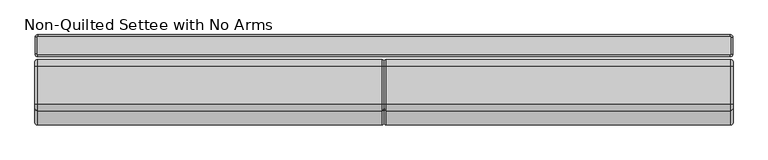
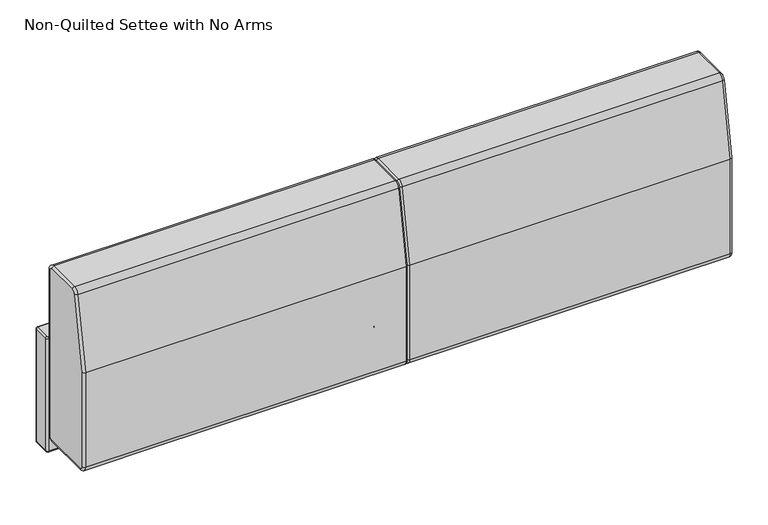
"""IFC4 building model written with IfcOpenShell, lengths in millimetres: furniture geometry, Non-Quilted Settee with No Arms."""

from ifc_helpers import new_model, si_unit, point, frame, origin, place, context, project, spatial, circle_curve, ellipse_curve, trimmed, source, transform, mapped, element, save
from ifc_brep_helpers import plane_surface, cylinder_surface, revolved_surface, advanced_brep


def non_quilted_settee_with_no_arms_b40319b5(model_context):
    return source(origin(), model_context, "Body", "AdvancedBrep", [
        advanced_brep(
        [(-711.8064569, 300.1899767, 749.1899478), (-711.8064569, 292.100436, 757.2794885), (-707.1959976, 292.100436, 761.8899478), (-707.1959976, 304.800436, 749.1899478), (-4.572, 292.100436, 761.8899478), (-4.572, 304.800436, 749.1899478), (-707.1959976, 304.800436, 368.2390955), (-711.8064569, 300.1899767, 368.2390955), (-4.572, 304.800436, 368.2390955), (-707.1959976, 292.100436, 355.5390955), (-711.8064569, 292.100436, 360.1495548), (-4.572, 292.100436, 355.5390955), (-707.1959976, 184.150436, 355.5390955), (-711.8064569, 184.150436, 360.1495548), (-4.572, 184.150436, 355.5390955), (-707.1959976, 171.450436, 368.2390955), (-711.8064569, 176.0608953, 368.2390955), (-4.572, 171.450436, 368.2390955), (-178.1023595, 176.8088949, 357.8760952), (-177.499966, 176.8088949, 357.8760952), (-177.8011627, 178.0348284, 357.1085364), (-355.9023595, 176.8088949, 357.8760952), (-355.299966, 176.8088949, 357.8760952), (-355.6011627, 178.0348284, 357.1085364), (-533.7023595, 176.8088949, 357.8760952), (-533.099966, 176.8088949, 357.8760952), (-533.4011627, 178.0348284, 357.1085364), (-707.1959976, 171.450436, 587.3479845), (-711.8064569, 176.0608953, 586.9446216), (-4.572, 171.450436, 587.3479845), (-707.1959976, 200.3764003, 751.3952797), (-711.8064569, 204.9168164, 750.5946818), (-4.572, 200.3764003, 751.3952797), (-707.1959976, 212.8834587, 761.8899478), (-711.8064569, 212.8834587, 757.2794885), (-4.572, 212.8834587, 761.8899478), (0.0, 292.100436, 757.3179478), (0.0, 212.8834587, 757.3179478), (0.0, 204.8789413, 750.6013602), (0.0, 176.022436, 586.9479863), (0.0, 176.022436, 368.2390955), (0.0, 184.150436, 360.1110955), (0.0, 292.100436, 360.1110955), (0.0, 300.228436, 368.2390955), (0.0, 300.228436, 749.1899478), (-177.8011627, 178.0348284, 357.8760952), (-355.6011627, 178.0348284, 357.8760952), (-533.4011627, 178.0348284, 357.8760952)],
        [
            (0, 1, circle_curve(frame((-711.8064569, 292.100436, 749.1899478), z_axis=(1.0, 0.0, 0.0), x_axis=(0.0, 0.0, 1.0)), 8.0895407)),
            (1, 2, circle_curve(frame((-707.1959976, 292.100436, 757.2794885), z_axis=(0.0, 1.0, 0.0), x_axis=(0.0, 0.0, 1.0)), 4.6104593)),
            (2, 3, circle_curve(frame((-707.1959976, 292.100436, 749.1899478), z_axis=(-1.0, 0.0, 0.0), x_axis=(0.0, 0.0, 1.0)), 12.7)),
            (3, 0, circle_curve(frame((-707.1959976, 300.1899767, 749.1899478), z_axis=(0.0, 0.0, 1.0), x_axis=(0.0, 1.0, 0.0)), 4.6104593)),
            (2, 4),
            (4, 5, circle_curve(frame((-4.572, 292.100436, 749.1899478), z_axis=(-1.0, 0.0, 0.0), x_axis=(0.0, 0.0, 1.0)), 12.7)),
            (5, 3),
            (3, 6),
            (6, 7, circle_curve(frame((-707.1959976, 300.1899767, 368.2390955), z_axis=(0.0, 0.0, 1.0), x_axis=(0.0, 1.0, 0.0)), 4.6104593)),
            (7, 0),
            (5, 8),
            (8, 6),
            (6, 9, circle_curve(frame((-707.1959976, 292.100436, 368.2390955), z_axis=(-1.0, 0.0, 0.0), x_axis=(0.0, 1.0, 0.0)), 12.7)),
            (9, 10, circle_curve(frame((-707.1959976, 292.100436, 360.1495548), z_axis=(0.0, 1.0, 0.0), x_axis=(0.0, 0.0, -1.0)), 4.6104593)),
            (10, 7, circle_curve(frame((-711.8064569, 292.100436, 368.2390955), z_axis=(1.0, 0.0, 0.0), x_axis=(0.0, 1.0, 0.0)), 8.0895407)),
            (8, 11, circle_curve(frame((-4.572, 292.100436, 368.2390955), z_axis=(-1.0, 0.0, 0.0), x_axis=(0.0, 1.0, 0.0)), 12.7)),
            (11, 9),
            (9, 12),
            (12, 13, circle_curve(frame((-707.1959976, 184.150436, 360.1495548), z_axis=(0.0, 1.0, 0.0), x_axis=(0.0, 0.0, -1.0)), 4.6104593)),
            (13, 10),
            (11, 14),
            (14, 12),
            (12, 15, circle_curve(frame((-707.1959976, 184.150436, 368.2390955), z_axis=(-1.0, 0.0, 0.0), x_axis=(0.0, 0.0, -1.0)), 12.7)),
            (15, 16, circle_curve(frame((-707.1959976, 176.0608953, 368.2390955), z_axis=(0.0, 0.0, -1.0), x_axis=(0.0, -1.0, 0.0)), 4.6104593)),
            (16, 13, circle_curve(frame((-711.8064569, 184.150436, 368.2390955), z_axis=(1.0, 0.0, 0.0), x_axis=(0.0, 0.0, -1.0)), 8.0895407)),
            (14, 17, circle_curve(frame((-4.572, 184.150436, 368.2390955), z_axis=(-1.0, 0.0, 0.0), x_axis=(0.0, 0.0, -1.0)), 12.7)),
            (17, 15),
            (18, 19),
            (19, 20, ellipse_curve(frame((-179.3036922, 184.150436, 368.2390955), z_axis=(0.9711198537066593, 0.23859218289113482, 0.0), x_axis=(-0.23859218289113468, 0.9711198537066593, 0.0)), 13.0776855, 12.7)),
            (20, 18, ellipse_curve(frame((-176.2986333, 184.150436, 368.2390955), z_axis=(-0.9711198537066649, 0.23859218289111192, 0.0), x_axis=(-0.23859218289111164, -0.971119853706665, 0.0)), 13.0776855, 12.7)),
            (21, 22),
            (22, 23, ellipse_curve(frame((-357.1036922, 184.150436, 368.2390955), z_axis=(0.9711198537066863, 0.23859218289102516, 0.0), x_axis=(-0.2385921828910247, 0.9711198537066863, 0.0)), 13.0776855, 12.7)),
            (23, 21, ellipse_curve(frame((-354.0986333, 184.150436, 368.2390955), z_axis=(-0.9711198537066924, 0.23859218289100023, 0.0), x_axis=(-0.2385921828909995, -0.9711198537066925, 0.0)), 13.0776855, 12.7)),
            (24, 25),
            (25, 26, ellipse_curve(frame((-534.9036922, 184.150436, 368.2390955), z_axis=(0.9711198537066882, 0.23859218289101738, 0.0), x_axis=(-0.23859218289101716, 0.9711198537066882, 0.0)), 13.0776855, 12.7)),
            (26, 24, ellipse_curve(frame((-531.8986333, 184.150436, 368.2390955), z_axis=(-0.9711198537066706, 0.2385921828910884, 0.0), x_axis=(-0.23859218289108816, -0.9711198537066708, 0.0)), 13.0776855, 12.7)),
            (15, 27),
            (27, 28, ellipse_curve(frame((-707.1959976, 176.0608953, 586.9446216), z_axis=(0.0, -0.08715574274765643, -0.9961946980917458), x_axis=(0.0, 0.9961946980917458, -0.08715574274765407)), 4.6280705, 4.6104593)),
            (28, 16),
            (17, 29),
            (29, 27),
            (27, 30),
            (30, 31, circle_curve(frame((-707.1959976, 204.9168164, 750.5946818), z_axis=(0.0, -0.17364817766692853, -0.9848077530122085), x_axis=(0.0, -0.9848077530122085, 0.17364817766692853)), 4.6104593)),
            (31, 28),
            (29, 32),
            (32, 30),
            (30, 33, circle_curve(frame((-707.1959976, 212.8834587, 749.1899478), z_axis=(-1.0, 0.0, 0.0), x_axis=(0.0, -0.9848077530122081, 0.17364817766692994)), 12.7)),
            (33, 34, circle_curve(frame((-707.1959976, 212.8834587, 757.2794885), z_axis=(0.0, -1.0, 0.0), x_axis=(0.0, 0.0, 1.0)), 4.6104593)),
            (34, 31, circle_curve(frame((-711.8064569, 212.8834587, 749.1899478), z_axis=(1.0, 0.0, 0.0), x_axis=(0.0, -0.9848077530122081, 0.17364817766692994)), 8.0895407)),
            (32, 35, circle_curve(frame((-4.572, 212.8834587, 749.1899478), z_axis=(-1.0, 0.0, 0.0), x_axis=(0.0, -0.9848077530122081, 0.17364817766692994)), 12.7)),
            (35, 33),
            (34, 1),
            (33, 2),
            (35, 4),
            (36, 37),
            (37, 38, circle_curve(frame((0.0, 212.8834587, 749.1899478), z_axis=(1.0, 0.0, 0.0), x_axis=(0.0, -0.9848077530122081, 0.17364817766692994)), 8.128)),
            (38, 39),
            (39, 40),
            (40, 41, circle_curve(frame((0.0, 184.150436, 368.2390955), z_axis=(1.0, 0.0, 0.0), x_axis=(0.0, 0.0, -1.0)), 8.128)),
            (41, 42),
            (42, 43, circle_curve(frame((0.0, 292.100436, 368.2390955), z_axis=(1.0, 0.0, 0.0), x_axis=(0.0, 1.0, 0.0)), 8.128)),
            (43, 44),
            (44, 36, circle_curve(frame((0.0, 292.100436, 749.1899478), z_axis=(1.0, 0.0, 0.0), x_axis=(0.0, 0.0, 1.0)), 8.128)),
            (4, 36, circle_curve(frame((-4.572, 292.100436, 757.3179478), z_axis=(0.0, 1.0, 0.0), x_axis=(0.0, 0.0, 1.0)), 4.572)),
            (44, 5, circle_curve(frame((-4.572, 300.228436, 749.1899478), z_axis=(0.0, 0.0, 1.0), x_axis=(0.0, 1.0, 0.0)), 4.572)),
            (43, 8, circle_curve(frame((-4.572, 300.228436, 368.2390955), z_axis=(0.0, 0.0, 1.0), x_axis=(0.0, 1.0, 0.0)), 4.572)),
            (42, 11, circle_curve(frame((-4.572, 292.100436, 360.1110955), z_axis=(0.0, 1.0, 0.0), x_axis=(0.0, 0.0, -1.0)), 4.572)),
            (41, 14, circle_curve(frame((-4.572, 184.150436, 360.1110955), z_axis=(0.0, 1.0, 0.0), x_axis=(0.0, 0.0, -1.0)), 4.572)),
            (40, 17, circle_curve(frame((-4.572, 176.022436, 368.2390955), z_axis=(0.0, 0.0, -1.0), x_axis=(0.0, -1.0, 0.0)), 4.572)),
            (39, 29, ellipse_curve(frame((-4.572, 176.022436, 586.9479863), z_axis=(0.0, -0.08715574274765643, -0.9961946980917458), x_axis=(0.0, 0.9961946980917458, -0.08715574274765407)), 4.5894643, 4.572)),
            (38, 32, circle_curve(frame((-4.572, 204.8789413, 750.6013602), z_axis=(0.0, -0.17364817766692853, -0.9848077530122085), x_axis=(0.0, -0.9848077530122085, 0.17364817766692853)), 4.572)),
            (37, 35, circle_curve(frame((-4.572, 212.8834587, 757.3179478), z_axis=(0.0, -1.0, 0.0), x_axis=(0.0, 0.0, 1.0)), 4.572)),
            (18, 45),
            (45, 19),
            (21, 46),
            (46, 22),
            (24, 47),
            (47, 25),
            (20, 45),
            (23, 46),
            (26, 47),
        ],
        [
            revolved_surface(trimmed(ellipse_curve(frame((-707.1959976, 292.100436, 757.2794885), z_axis=(0.0, -1.0, 0.0), x_axis=(0.0, 0.0, 1.0)), 4.6104593, 4.6104593), [point((-707.1959976, 292.100436, 761.8899478))], [point((-711.8064569, 292.100436, 757.2794885))], True, "CARTESIAN"), (0.0, 292.100436, 749.1899478), (-1.0, 0.0, 0.0)),
            cylinder_surface(frame((0.0, 292.100436, 749.1899478), z_axis=(-1.0, 0.0, 0.0), x_axis=(0.0, 0.0, 1.0)), 12.7),
            cylinder_surface(frame((-707.1959976, 300.1899767, 749.1899478), z_axis=(0.0, 0.0, 1.0), x_axis=(0.0, 1.0, 0.0)), 4.6104593),
            plane_surface(frame((-4.572, 304.800436, 749.1899478), z_axis=(0.0, 1.0, 0.0), x_axis=(0.0, 0.0, -1.0))),
            revolved_surface(trimmed(ellipse_curve(frame((-707.1959976, 300.1899767, 368.2390955), z_axis=(0.0, 0.0, 1.0), x_axis=(0.0, 1.0, 0.0)), 4.6104593, 4.6104593), [point((-707.1959976, 304.800436, 368.2390955))], [point((-711.8064569, 300.1899767, 368.2390955))], True, "CARTESIAN"), (0.0, 292.100436, 368.2390955), (-1.0, 0.0, 0.0)),
            cylinder_surface(frame((0.0, 292.100436, 368.2390955), z_axis=(-1.0, 0.0, 0.0), x_axis=(0.0, 1.0, 0.0)), 12.7),
            cylinder_surface(frame((-707.1959976, 292.100436, 360.1495548), z_axis=(0.0, 1.0, 0.0), x_axis=(0.0, 0.0, -1.0)), 4.6104593),
            plane_surface(frame((-4.572, 292.100436, 355.5390955), z_axis=(0.0, 0.0, -1.0), x_axis=(0.0, -1.0, 0.0))),
            revolved_surface(trimmed(ellipse_curve(frame((-707.1959976, 184.150436, 360.1495548), z_axis=(0.0, 1.0, 0.0), x_axis=(0.0, 0.0, -1.0)), 4.6104593, 4.6104593), [point((-707.1959976, 184.150436, 355.5390955))], [point((-711.8064569, 184.150436, 360.1495548))], True, "CARTESIAN"), (0.0, 184.150436, 368.2390955), (-1.0, 0.0, 0.0)),
            cylinder_surface(frame((0.0, 184.150436, 368.2390955), z_axis=(-1.0, 0.0, 0.0), x_axis=(0.0, 0.0, -1.0)), 12.7),
            cylinder_surface(frame((-707.1959976, 176.0608953, 368.2390955), z_axis=(0.0, 0.0, -1.0), x_axis=(0.0, -1.0, 0.0)), 4.6104593),
            plane_surface(frame((-4.572, 171.450436, 368.2390955), z_axis=(0.0, -1.0, 0.0), x_axis=(0.0, 0.0, 1.0))),
            cylinder_surface(frame((-707.1959976, 175.9908521, 586.5473866), z_axis=(0.0, -0.17364817766692853, -0.9848077530122085), x_axis=(0.0, -0.9848077530122085, 0.17364817766692853)), 4.6104593),
            plane_surface(frame((-4.572, 171.450436, 587.3479845), z_axis=(0.0, -0.9848077530122084, 0.17364817766692858), x_axis=(0.0, 0.17364817766692858, 0.9848077530122084))),
            revolved_surface(trimmed(ellipse_curve(frame((-707.1959976, 204.9168164, 750.5946818), z_axis=(0.0, -0.1736481776669298, -0.9848077530122081), x_axis=(0.0, -0.9848077530122081, 0.1736481776669298)), 4.6104593, 4.6104593), [point((-707.1959976, 200.3764003, 751.3952797))], [point((-711.8064569, 204.9168164, 750.5946818))], True, "CARTESIAN"), (0.0, 212.8834587, 749.1899478), (-1.0, 0.0, 0.0)),
            cylinder_surface(frame((0.0, 212.8834587, 749.1899478), z_axis=(-1.0, 0.0, 0.0), x_axis=(0.0, -0.9848077530122081, 0.17364817766692994)), 12.7),
            plane_surface(frame((-711.8064569, 212.8834587, 757.2794885), z_axis=(-1.0, 0.0, 0.0), x_axis=(0.0, 1.0, 0.0))),
            cylinder_surface(frame((-707.1959976, 212.8834587, 757.2794885), z_axis=(0.0, -1.0, 0.0), x_axis=(0.0, 0.0, 1.0)), 4.6104593),
            plane_surface(frame((-4.572, 212.8834587, 761.8899478), z_axis=(0.0, 0.0, 1.0), x_axis=(0.0, 1.0, 0.0))),
            plane_surface(frame((0.0, 212.8834587, 754.6705296), z_axis=(1.0, 0.0, 0.0), x_axis=(0.0, 1.0, 0.0))),
            revolved_surface(trimmed(ellipse_curve(frame((-4.572, 292.100436, 757.3179478), z_axis=(0.0, -1.0, 0.0), x_axis=(0.0, 0.0, 1.0)), 4.572, 4.572), [point((0.0, 292.100436, 757.3179478))], [point((-4.572, 292.100436, 761.8899478))], True, "CARTESIAN"), (0.0, 292.100436, 749.1899478), (-1.0, 0.0, 0.0)),
            cylinder_surface(frame((-4.572, 300.228436, 749.1899478), z_axis=(0.0, 0.0, 1.0), x_axis=(0.0, 1.0, 0.0)), 4.572),
            revolved_surface(trimmed(ellipse_curve(frame((-4.572, 300.228436, 368.2390955), z_axis=(0.0, 0.0, 1.0), x_axis=(0.0, 1.0, 0.0)), 4.572, 4.572), [point((0.0, 300.228436, 368.2390955))], [point((-4.572, 304.800436, 368.2390955))], True, "CARTESIAN"), (0.0, 292.100436, 368.2390955), (-1.0, 0.0, 0.0)),
            cylinder_surface(frame((-4.572, 292.100436, 360.1110955), z_axis=(0.0, 1.0, 0.0), x_axis=(0.0, 0.0, -1.0)), 4.572),
            revolved_surface(trimmed(ellipse_curve(frame((-4.572, 184.150436, 360.1110955), z_axis=(0.0, 1.0, 0.0), x_axis=(0.0, 0.0, -1.0)), 4.572, 4.572), [point((0.0, 184.150436, 360.1110955))], [point((-4.572, 184.150436, 355.5390955))], True, "CARTESIAN"), (0.0, 184.150436, 368.2390955), (-1.0, 0.0, 0.0)),
            cylinder_surface(frame((-4.572, 176.022436, 368.2390955), z_axis=(0.0, 0.0, -1.0), x_axis=(0.0, -1.0, 0.0)), 4.572),
            cylinder_surface(frame((-4.572, 175.9529771, 586.554065), z_axis=(0.0, -0.17364817766692853, -0.9848077530122085), x_axis=(0.0, -0.9848077530122085, 0.17364817766692853)), 4.572),
            revolved_surface(trimmed(ellipse_curve(frame((-4.572, 204.8789413, 750.6013602), z_axis=(0.0, -0.1736481776669298, -0.9848077530122081), x_axis=(0.0, -0.9848077530122081, 0.1736481776669298)), 4.572, 4.572), [point((0.0, 204.8789413, 750.6013602))], [point((-4.572, 200.3764003, 751.3952797))], True, "CARTESIAN"), (0.0, 212.8834587, 749.1899478), (-1.0, 0.0, 0.0)),
            cylinder_surface(frame((-4.572, 212.8834587, 757.3179478), z_axis=(0.0, -1.0, 0.0), x_axis=(0.0, 0.0, 1.0)), 4.572),
            plane_surface(frame((0.0, 177.9827141, 357.8760952), z_axis=(0.0, 0.0, -1.0), x_axis=(-1.0, 0.0, 0.0))),
            plane_surface(frame((-178.6586203, 174.5447974, 25.4), z_axis=(0.9711198537066649, -0.23859218289111192, 0.0), x_axis=(0.0, 0.0, 1.0))),
            plane_surface(frame((-177.8011627, 178.0348284, 25.4), z_axis=(-0.9711198537066593, -0.23859218289113482, 0.0), x_axis=(0.0, 0.0, 1.0))),
            plane_surface(frame((-356.4586203, 174.5447974, 25.4), z_axis=(0.9711198537066924, -0.23859218289100023, 0.0), x_axis=(0.0, 0.0, 1.0))),
            plane_surface(frame((-355.6011627, 178.0348284, 25.4), z_axis=(-0.9711198537066863, -0.23859218289102516, 0.0), x_axis=(0.0, 0.0, 1.0))),
            plane_surface(frame((-534.2586203, 174.5447974, 25.4), z_axis=(0.9711198537066706, -0.2385921828910884, 0.0), x_axis=(0.0, 0.0, 1.0))),
            plane_surface(frame((-533.4011627, 178.0348284, 25.4), z_axis=(-0.9711198537066882, -0.23859218289101738, 0.0), x_axis=(0.0, 0.0, 1.0))),
        ],
        [
            (0, [[1, 2, 3, 4]]),
            (1, [[-3, 5, 6, 7]]),
            (2, [[-4, 8, 9, 10]]),
            (3, [[-7, 11, 12, -8]]),
            (4, [[-9, 13, 14, 15]]),
            (5, [[-12, 16, 17, -13]]),
            (6, [[-14, 18, 19, 20]]),
            (7, [[-17, 21, 22, -18]]),
            (8, [[-19, 23, 24, 25]]),
            (9, [[-22, 26, 27, -23], [28, 29, 30], [31, 32, 33], [34, 35, 36]]),
            (10, [[-24, 37, 38, 39]]),
            (11, [[-27, 40, 41, -37]]),
            (12, [[-38, 42, 43, 44]]),
            (13, [[-41, 45, 46, -42]]),
            (14, [[-43, 47, 48, 49]]),
            (15, [[-46, 50, 51, -47]]),
            (16, [[-1, -10, -15, -20, -25, -39, -44, -49, 52]]),
            (17, [[-2, -52, -48, 53]]),
            (18, [[-5, -53, -51, 54]]),
            (19, [[55, 56, 57, 58, 59, 60, 61, 62, 63]]),
            (20, [[-6, 64, -63, 65]]),
            (21, [[-11, -65, -62, 66]]),
            (22, [[-16, -66, -61, 67]]),
            (23, [[-21, -67, -60, 68]]),
            (24, [[-26, -68, -59, 69]]),
            (25, [[-40, -69, -58, 70]]),
            (26, [[-45, -70, -57, 71]]),
            (27, [[-50, -71, -56, 72]]),
            (28, [[-54, -72, -55, -64]]),
            (29, [[73, 74, -28]]),
            (29, [[75, 76, -31]]),
            (29, [[77, 78, -34]]),
            (30, [[-73, -30, 79]]),
            (31, [[-74, -79, -29]]),
            (32, [[-75, -33, 80]]),
            (33, [[-76, -80, -32]]),
            (34, [[-77, -36, 81]]),
            (35, [[-78, -81, -35]]),
        ],
    ),
        advanced_brep(
        [(707.2082858, 350.5314654, 584.1999879), (706.1135784, 351.6261728, 584.1999879), (-706.1135784, 351.6261728, 584.1999879), (-707.2082858, 350.5314654, 584.1999879), (-707.2082858, 316.23, 584.1999879), (-706.1135784, 315.1352926, 584.1999879), (706.1135784, 315.1352926, 584.1999879), (707.2082858, 316.23, 584.1999879), (706.1135784, 351.5474654, 317.4999879), (707.1295784, 350.5314654, 317.4999879), (707.1295784, 316.23, 317.4999879), (706.1135784, 315.214, 317.4999879), (-706.1135784, 315.214, 317.4999879), (-707.1295784, 316.23, 317.4999879), (-707.1295784, 350.5314654, 317.4999879), (-706.1135784, 351.5474654, 317.4999879), (711.1935784, 350.5314654, 321.5633339), (706.1135784, 355.6114654, 321.5633339), (706.1135784, 355.6114654, 580.2146953), (711.1935784, 350.5314654, 580.2146953), (711.1935784, 316.23, 580.2146953), (711.1935784, 316.23, 321.5633339), (706.1135784, 311.15, 580.2146953), (706.1135784, 311.15, 321.5633339), (-706.1135784, 311.15, 580.2146953), (-706.1135784, 311.15, 321.5633339), (-711.1935784, 316.23, 580.2146953), (-711.1935784, 316.23, 321.5633339), (-711.1935784, 350.5314654, 580.2146953), (-711.1935784, 350.5314654, 321.5633339), (-706.1135784, 355.6114654, 580.2146953), (-706.1135784, 355.6114654, 321.5633339)],
        [
            (0, 1, circle_curve(frame((706.1135784, 350.5314654, 584.1999879), z_axis=(0.0, 0.0, 1.0), x_axis=(0.0, 1.0, 0.0)), 1.0947074)),
            (1, 2),
            (2, 3, circle_curve(frame((-706.1135784, 350.5314654, 584.1999879), z_axis=(0.0, 0.0, 1.0), x_axis=(-1.0, 0.0, 0.0)), 1.0947074)),
            (3, 4),
            (4, 5, circle_curve(frame((-706.1135784, 316.23, 584.1999879), z_axis=(0.0, 0.0, 1.0), x_axis=(0.0, -1.0, 0.0)), 1.0947074)),
            (5, 6),
            (6, 7, circle_curve(frame((706.1135784, 316.23, 584.1999879), z_axis=(0.0, 0.0, 1.0), x_axis=(1.0, 0.0, 0.0)), 1.0947074)),
            (7, 0),
            (8, 9, circle_curve(frame((706.1135784, 350.5314654, 317.4999879), z_axis=(0.0, 0.0, -1.0), x_axis=(0.0, 1.0, 0.0)), 1.016)),
            (9, 10),
            (10, 11, circle_curve(frame((706.1135784, 316.23, 317.4999879), z_axis=(0.0, 0.0, -1.0), x_axis=(1.0, 0.0, 0.0)), 1.016)),
            (11, 12),
            (12, 13, circle_curve(frame((-706.1135784, 316.23, 317.4999879), z_axis=(0.0, 0.0, -1.0), x_axis=(0.0, -1.0, 0.0)), 1.016)),
            (13, 14),
            (14, 15, circle_curve(frame((-706.1135784, 350.5314654, 317.4999879), z_axis=(0.0, 0.0, -1.0), x_axis=(-1.0, 0.0, 0.0)), 1.016)),
            (15, 8),
            (16, 17, circle_curve(frame((706.1135784, 350.5314654, 321.5633339), z_axis=(0.0, 0.0, 1.0), x_axis=(0.0, 1.0, 0.0)), 5.08)),
            (17, 18),
            (18, 19, circle_curve(frame((706.1135784, 350.5314654, 580.2146953), z_axis=(0.0, 0.0, -1.0), x_axis=(0.0, 1.0, 0.0)), 5.08)),
            (19, 16),
            (16, 9, circle_curve(frame((707.1295784, 350.5314654, 321.5633339), z_axis=(0.0, 1.0, 0.0), x_axis=(1.0, 0.0, 0.0)), 4.064)),
            (8, 17, circle_curve(frame((706.1135784, 351.5474654, 321.5633339), z_axis=(1.0, 0.0, 0.0), x_axis=(0.0, 1.0, 0.0)), 4.064)),
            (18, 1, circle_curve(frame((706.1135784, 351.6261728, 580.2146953), z_axis=(1.0, 0.0, 0.0), x_axis=(0.0, 1.0, 0.0)), 3.9852926)),
            (0, 19, circle_curve(frame((707.2082858, 350.5314654, 580.2146953), z_axis=(0.0, 1.0, 0.0), x_axis=(1.0, 0.0, 0.0)), 3.9852926)),
            (19, 20),
            (20, 21),
            (21, 16),
            (21, 10, circle_curve(frame((707.1295784, 316.23, 321.5633339), z_axis=(0.0, 1.0, 0.0), x_axis=(1.0, 0.0, 0.0)), 4.064)),
            (7, 20, circle_curve(frame((707.2082858, 316.23, 580.2146953), z_axis=(0.0, 1.0, 0.0), x_axis=(1.0, 0.0, 0.0)), 3.9852926)),
            (20, 22, circle_curve(frame((706.1135784, 316.23, 580.2146953), z_axis=(0.0, 0.0, -1.0), x_axis=(1.0, 0.0, 0.0)), 5.08)),
            (22, 23),
            (23, 21, circle_curve(frame((706.1135784, 316.23, 321.5633339), z_axis=(0.0, 0.0, 1.0), x_axis=(1.0, 0.0, 0.0)), 5.08)),
            (23, 11, circle_curve(frame((706.1135784, 315.214, 321.5633339), z_axis=(1.0, 0.0, 0.0), x_axis=(0.0, -1.0, 0.0)), 4.064)),
            (6, 22, circle_curve(frame((706.1135784, 315.1352926, 580.2146953), z_axis=(1.0, 0.0, 0.0), x_axis=(0.0, -1.0, 0.0)), 3.9852926)),
            (22, 24),
            (24, 25),
            (25, 23),
            (25, 12, circle_curve(frame((-706.1135784, 315.214, 321.5633339), z_axis=(1.0, 0.0, 0.0), x_axis=(0.0, -1.0, 0.0)), 4.064)),
            (5, 24, circle_curve(frame((-706.1135784, 315.1352926, 580.2146953), z_axis=(1.0, 0.0, 0.0), x_axis=(0.0, -1.0, 0.0)), 3.9852926)),
            (24, 26, circle_curve(frame((-706.1135784, 316.23, 580.2146953), z_axis=(0.0, 0.0, -1.0), x_axis=(0.0, -1.0, 0.0)), 5.08)),
            (26, 27),
            (27, 25, circle_curve(frame((-706.1135784, 316.23, 321.5633339), z_axis=(0.0, 0.0, 1.0), x_axis=(0.0, -1.0, 0.0)), 5.08)),
            (27, 13, circle_curve(frame((-707.1295784, 316.23, 321.5633339), z_axis=(0.0, -1.0, 0.0), x_axis=(-1.0, 0.0, 0.0)), 4.064)),
            (4, 26, circle_curve(frame((-707.2082858, 316.23, 580.2146953), z_axis=(0.0, -1.0, 0.0), x_axis=(-1.0, 0.0, 0.0)), 3.9852926)),
            (26, 28),
            (28, 29),
            (29, 27),
            (29, 14, circle_curve(frame((-707.1295784, 350.5314654, 321.5633339), z_axis=(0.0, -1.0, 0.0), x_axis=(-1.0, 0.0, 0.0)), 4.064)),
            (3, 28, circle_curve(frame((-707.2082858, 350.5314654, 580.2146953), z_axis=(0.0, -1.0, 0.0), x_axis=(-1.0, 0.0, 0.0)), 3.9852926)),
            (28, 30, circle_curve(frame((-706.1135784, 350.5314654, 580.2146953), z_axis=(0.0, 0.0, -1.0), x_axis=(-1.0, 0.0, 0.0)), 5.08)),
            (30, 31),
            (31, 29, circle_curve(frame((-706.1135784, 350.5314654, 321.5633339), z_axis=(0.0, 0.0, 1.0), x_axis=(-1.0, 0.0, 0.0)), 5.08)),
            (31, 15, circle_curve(frame((-706.1135784, 351.5474654, 321.5633339), z_axis=(-1.0, 0.0, 0.0), x_axis=(0.0, 1.0, 0.0)), 4.064)),
            (2, 30, circle_curve(frame((-706.1135784, 351.6261728, 580.2146953), z_axis=(-1.0, 0.0, 0.0), x_axis=(0.0, 1.0, 0.0)), 3.9852926)),
            (17, 31),
            (30, 18),
        ],
        [
            plane_surface(frame((-706.1135784, 316.2087348, 584.1999879), z_axis=(0.0, 0.0, 1.0), x_axis=(1.0, 0.0, 0.0))),
            plane_surface(frame((-706.1135784, 316.2087348, 317.4999879), z_axis=(0.0, 0.0, -1.0), x_axis=(-1.0, 0.0, 0.0))),
            cylinder_surface(frame((706.1135784, 350.5314654, 0.0), z_axis=(0.0, 0.0, -1.0), x_axis=(0.0, 1.0, 0.0)), 5.08),
            revolved_surface(trimmed(ellipse_curve(frame((706.1135784, 351.5474654, 321.5633339), z_axis=(-1.0, 0.0, 0.0), x_axis=(0.0, 1.0, 0.0)), 4.064, 4.064), [point((706.1135784, 355.6114654, 321.5633339))], [point((706.1135784, 351.5474654, 317.4993339))], True, "CARTESIAN"), (706.1135784, 350.5314654, 0.0), (0.0, 0.0, -1.0)),
            revolved_surface(trimmed(ellipse_curve(frame((706.1135784, 351.6261728, 580.2146953), z_axis=(-1.0, 0.0, 0.0), x_axis=(0.0, 1.0, 0.0)), 3.9852926, 3.9852926), [point((706.1135784, 351.6261728, 584.1999879))], [point((706.1135784, 355.6114654, 580.2146953))], True, "CARTESIAN"), (706.1135784, 350.5314654, 0.0), (0.0, 0.0, -1.0)),
            plane_surface(frame((711.1935784, 350.5314654, 580.2146953), z_axis=(1.0, 0.0, 0.0), x_axis=(0.0, -1.0, 0.0))),
            cylinder_surface(frame((707.1295784, 350.5314654, 321.5633339), z_axis=(0.0, 1.0, 0.0), x_axis=(1.0, 0.0, 0.0)), 4.064),
            cylinder_surface(frame((707.2082858, 350.5314654, 580.2146953), z_axis=(0.0, 1.0, 0.0), x_axis=(1.0, 0.0, 0.0)), 3.9852926),
            cylinder_surface(frame((706.1135784, 316.23, 0.0), z_axis=(0.0, 0.0, -1.0), x_axis=(1.0, 0.0, 0.0)), 5.08),
            revolved_surface(trimmed(ellipse_curve(frame((707.1295784, 316.23, 321.5633339), z_axis=(0.0, 1.0, 0.0), x_axis=(1.0, 0.0, 0.0)), 4.064, 4.064), [point((711.1935784, 316.23, 321.5633339))], [point((707.1295784, 316.23, 317.4993339))], True, "CARTESIAN"), (706.1135784, 316.23, 0.0), (0.0, 0.0, -1.0)),
            revolved_surface(trimmed(ellipse_curve(frame((707.2082858, 316.23, 580.2146953), z_axis=(0.0, 1.0, 0.0), x_axis=(1.0, 0.0, 0.0)), 3.9852926, 3.9852926), [point((707.2082858, 316.23, 584.1999879))], [point((711.1935784, 316.23, 580.2146953))], True, "CARTESIAN"), (706.1135784, 316.23, 0.0), (0.0, 0.0, -1.0)),
            plane_surface(frame((706.1135784, 311.15, 580.2146953), z_axis=(0.0, -1.0, 0.0), x_axis=(-1.0, 0.0, 0.0))),
            cylinder_surface(frame((706.1135784, 315.214, 321.5633339), z_axis=(1.0, 0.0, 0.0), x_axis=(0.0, -1.0, 0.0)), 4.064),
            cylinder_surface(frame((706.1135784, 315.1352926, 580.2146953), z_axis=(1.0, 0.0, 0.0), x_axis=(0.0, -1.0, 0.0)), 3.9852926),
            cylinder_surface(frame((-706.1135784, 316.23, 0.0), z_axis=(0.0, 0.0, -1.0), x_axis=(0.0, -1.0, 0.0)), 5.08),
            revolved_surface(trimmed(ellipse_curve(frame((-706.1135784, 315.214, 321.5633339), z_axis=(1.0, 0.0, 0.0), x_axis=(0.0, -1.0, 0.0)), 4.064, 4.064), [point((-706.1135784, 311.15, 321.5633339))], [point((-706.1135784, 315.214, 317.4993339))], True, "CARTESIAN"), (-706.1135784, 316.23, 0.0), (0.0, 0.0, -1.0)),
            revolved_surface(trimmed(ellipse_curve(frame((-706.1135784, 315.1352926, 580.2146953), z_axis=(1.0, 0.0, 0.0), x_axis=(0.0, -1.0, 0.0)), 3.9852926, 3.9852926), [point((-706.1135784, 315.1352926, 584.1999879))], [point((-706.1135784, 311.15, 580.2146953))], True, "CARTESIAN"), (-706.1135784, 316.23, 0.0), (0.0, 0.0, -1.0)),
            plane_surface(frame((-711.1935784, 316.23, 580.2146953), z_axis=(-1.0, 0.0, 0.0), x_axis=(0.0, 1.0, 0.0))),
            cylinder_surface(frame((-707.1295784, 316.23, 321.5633339), z_axis=(0.0, -1.0, 0.0), x_axis=(-1.0, 0.0, 0.0)), 4.064),
            cylinder_surface(frame((-707.2082858, 316.23, 580.2146953), z_axis=(0.0, -1.0, 0.0), x_axis=(-1.0, 0.0, 0.0)), 3.9852926),
            cylinder_surface(frame((-706.1135784, 350.5314654, 0.0), z_axis=(0.0, 0.0, -1.0), x_axis=(-1.0, 0.0, 0.0)), 5.08),
            revolved_surface(trimmed(ellipse_curve(frame((-707.1295784, 350.5314654, 321.5633339), z_axis=(0.0, -1.0, 0.0), x_axis=(-1.0, 0.0, 0.0)), 4.064, 4.064), [point((-711.1935784, 350.5314654, 321.5633339))], [point((-707.1295784, 350.5314654, 317.4993339))], True, "CARTESIAN"), (-706.1135784, 350.5314654, 0.0), (0.0, 0.0, -1.0)),
            revolved_surface(trimmed(ellipse_curve(frame((-707.2082858, 350.5314654, 580.2146953), z_axis=(0.0, -1.0, 0.0), x_axis=(-1.0, 0.0, 0.0)), 3.9852926, 3.9852926), [point((-707.2082858, 350.5314654, 584.1999879))], [point((-711.1935784, 350.5314654, 580.2146953))], True, "CARTESIAN"), (-706.1135784, 350.5314654, 0.0), (0.0, 0.0, -1.0)),
            plane_surface(frame((-706.1135784, 355.6114654, 580.2146953), z_axis=(0.0, 1.0, 0.0), x_axis=(1.0, 0.0, 0.0))),
            cylinder_surface(frame((-706.1135784, 351.5474654, 321.5633339), z_axis=(-1.0, 0.0, 0.0), x_axis=(0.0, 1.0, 0.0)), 4.064),
            cylinder_surface(frame((-706.1135784, 351.6261728, 580.2146953), z_axis=(-1.0, 0.0, 0.0), x_axis=(0.0, 1.0, 0.0)), 3.9852926),
        ],
        [
            (0, [[1, 2, 3, 4, 5, 6, 7, 8]]),
            (1, [[9, 10, 11, 12, 13, 14, 15, 16]]),
            (2, [[17, 18, 19, 20]]),
            (3, [[-17, 21, -9, 22]]),
            (4, [[-19, 23, -1, 24]]),
            (5, [[-20, 25, 26, 27]]),
            (6, [[-21, -27, 28, -10]]),
            (7, [[-24, -8, 29, -25]]),
            (8, [[-26, 30, 31, 32]]),
            (9, [[-28, -32, 33, -11]]),
            (10, [[-29, -7, 34, -30]]),
            (11, [[-31, 35, 36, 37]]),
            (12, [[-33, -37, 38, -12]]),
            (13, [[-34, -6, 39, -35]]),
            (14, [[-36, 40, 41, 42]]),
            (15, [[-38, -42, 43, -13]]),
            (16, [[-39, -5, 44, -40]]),
            (17, [[-41, 45, 46, 47]]),
            (18, [[-43, -47, 48, -14]]),
            (19, [[-44, -4, 49, -45]]),
            (20, [[-46, 50, 51, 52]]),
            (21, [[-48, -52, 53, -15]]),
            (22, [[-49, -3, 54, -50]]),
            (23, [[-18, 55, -51, 56]]),
            (24, [[-22, -16, -53, -55]]),
            (25, [[-23, -56, -54, -2]]),
        ],
    ),
        advanced_brep(
        [(707.1959976, 304.800436, 749.1899478), (707.1959976, 292.100436, 761.8899478), (711.8064569, 292.100436, 757.2794885), (711.8064569, 300.1899767, 749.1899478), (4.572, 304.800436, 749.1899478), (4.572, 292.100436, 761.8899478), (711.8064569, 300.1899767, 368.2390955), (707.1959976, 304.800436, 368.2390955), (4.572, 304.800436, 368.2390955), (711.8064569, 292.100436, 360.1495548), (707.1959976, 292.100436, 355.5390955), (4.572, 292.100436, 355.5390955), (711.8064569, 184.150436, 360.1495548), (707.1959976, 184.150436, 355.5390955), (4.572, 184.150436, 355.5390955), (711.8064569, 176.0608953, 368.2390955), (707.1959976, 171.450436, 368.2390955), (4.572, 171.450436, 368.2390955), (177.499966, 176.8088949, 357.8760952), (178.1023595, 176.8088949, 357.8760952), (177.8011627, 178.0348284, 357.1085364), (355.299966, 176.8088949, 357.8760952), (355.9023595, 176.8088949, 357.8760952), (355.6011627, 178.0348284, 357.1085364), (533.099966, 176.8088949, 357.8760952), (533.7023595, 176.8088949, 357.8760952), (533.4011627, 178.0348284, 357.1085364), (711.8064569, 176.0608953, 586.9446216), (707.1959976, 171.450436, 587.3479845), (4.572, 171.450436, 587.3479845), (711.8064569, 204.9168164, 750.5946818), (707.1959976, 200.3764003, 751.3952797), (4.572, 200.3764003, 751.3952797), (711.8064569, 212.8834587, 757.2794885), (707.1959976, 212.8834587, 761.8899478), (4.572, 212.8834587, 761.8899478), (0.0, 176.022436, 586.9479863), (0.0, 204.8789413, 750.6013602), (0.0, 212.8834587, 757.3179478), (0.0, 292.100436, 757.3179478), (0.0, 300.228436, 749.1899478), (0.0, 300.228436, 368.2390955), (0.0, 292.100436, 360.1110955), (0.0, 184.150436, 360.1110955), (0.0, 176.022436, 368.2390955), (177.8011627, 178.0348284, 357.8760952), (355.6011627, 178.0348284, 357.8760952), (533.4011627, 178.0348284, 357.8760952)],
        [
            (0, 1, circle_curve(frame((707.1959976, 292.100436, 749.1899478), z_axis=(1.0, 0.0, 0.0), x_axis=(0.0, 0.0, 1.0)), 12.7)),
            (1, 2, circle_curve(frame((707.1959976, 292.100436, 757.2794885), z_axis=(0.0, 1.0, 0.0), x_axis=(0.0, 0.0, -1.0)), 4.6104593)),
            (2, 3, circle_curve(frame((711.8064569, 292.100436, 749.1899478), z_axis=(-1.0, 0.0, 0.0), x_axis=(0.0, 0.0, 1.0)), 8.0895407)),
            (3, 0, circle_curve(frame((707.1959976, 300.1899767, 749.1899478), z_axis=(0.0, 0.0, 1.0), x_axis=(0.0, -1.0, 0.0)), 4.6104593)),
            (0, 4),
            (4, 5, circle_curve(frame((4.572, 292.100436, 749.1899478), z_axis=(1.0, 0.0, 0.0), x_axis=(0.0, 0.0, 1.0)), 12.7)),
            (5, 1),
            (3, 6),
            (6, 7, circle_curve(frame((707.1959976, 300.1899767, 368.2390955), z_axis=(0.0, 0.0, 1.0), x_axis=(0.0, -1.0, 0.0)), 4.6104593)),
            (7, 0),
            (7, 8),
            (8, 4),
            (6, 9, circle_curve(frame((711.8064569, 292.100436, 368.2390955), z_axis=(-1.0, 0.0, 0.0), x_axis=(0.0, 1.0, 0.0)), 8.0895407)),
            (9, 10, circle_curve(frame((707.1959976, 292.100436, 360.1495548), z_axis=(0.0, 1.0, 0.0), x_axis=(0.0, 0.0, 1.0)), 4.6104593)),
            (10, 7, circle_curve(frame((707.1959976, 292.100436, 368.2390955), z_axis=(1.0, 0.0, 0.0), x_axis=(0.0, 1.0, 0.0)), 12.7)),
            (10, 11),
            (11, 8, circle_curve(frame((4.572, 292.100436, 368.2390955), z_axis=(1.0, 0.0, 0.0), x_axis=(0.0, 1.0, 0.0)), 12.7)),
            (9, 12),
            (12, 13, circle_curve(frame((707.1959976, 184.150436, 360.1495548), z_axis=(0.0, 1.0, 0.0), x_axis=(0.0, 0.0, 1.0)), 4.6104593)),
            (13, 10),
            (13, 14),
            (14, 11),
            (12, 15, circle_curve(frame((711.8064569, 184.150436, 368.2390955), z_axis=(-1.0, 0.0, 0.0), x_axis=(0.0, 0.0, -1.0)), 8.0895407)),
            (15, 16, circle_curve(frame((707.1959976, 176.0608953, 368.2390955), z_axis=(0.0, 0.0, -1.0), x_axis=(0.0, 1.0, 0.0)), 4.6104593)),
            (16, 13, circle_curve(frame((707.1959976, 184.150436, 368.2390955), z_axis=(1.0, 0.0, 0.0), x_axis=(0.0, 0.0, -1.0)), 12.7)),
            (16, 17),
            (17, 14, circle_curve(frame((4.572, 184.150436, 368.2390955), z_axis=(1.0, 0.0, 0.0), x_axis=(0.0, 0.0, -1.0)), 12.7)),
            (18, 19),
            (19, 20, ellipse_curve(frame((176.2986333, 184.150436, 368.2390955), z_axis=(0.9711198537066588, 0.23859218289113715, 0.0), x_axis=(-0.2385921828911362, 0.9711198537066589, 0.0)), 13.0776855, 12.7)),
            (20, 18, ellipse_curve(frame((179.3036922, 184.150436, 368.2390955), z_axis=(-0.971119853706666, 0.2385921828911077, 0.0), x_axis=(-0.23859218289110734, -0.971119853706666, 0.0)), 13.0776855, 12.7)),
            (21, 22),
            (22, 23, ellipse_curve(frame((354.0986333, 184.150436, 368.2390955), z_axis=(0.971119853706677, 0.2385921828910632, 0.0), x_axis=(-0.23859218289106215, 0.9711198537066771, 0.0)), 13.0776855, 12.7)),
            (23, 21, ellipse_curve(frame((357.1036922, 184.150436, 368.2390955), z_axis=(-0.9711198537067129, 0.23859218289091608, 0.0), x_axis=(-0.23859218289091688, -0.9711198537067127, 0.0)), 13.0776855, 12.7)),
            (24, 25),
            (25, 26, ellipse_curve(frame((531.8986333, 184.150436, 368.2390955), z_axis=(0.9711198537066685, 0.23859218289109715, 0.0), x_axis=(-0.23859218289109663, 0.9711198537066686, 0.0)), 13.0776855, 12.7)),
            (26, 24, ellipse_curve(frame((534.9036922, 184.150436, 368.2390955), z_axis=(-0.9711198537066816, 0.23859218289104386, 0.0), x_axis=(-0.23859218289104364, -0.9711198537066815, 0.0)), 13.0776855, 12.7)),
            (15, 27),
            (27, 28, ellipse_curve(frame((707.1959976, 176.0608953, 586.9446216), z_axis=(0.0, -0.0871557427476564, -0.9961946980917458), x_axis=(0.0, 0.9961946980917458, -0.08715574274765407)), 4.6280705, 4.6104593)),
            (28, 16),
            (28, 29),
            (29, 17),
            (27, 30),
            (30, 31, circle_curve(frame((707.1959976, 204.9168164, 750.5946818), z_axis=(0.0, -0.1736481776669285, -0.9848077530122085), x_axis=(0.0, 0.9848077530122085, -0.1736481776669285)), 4.6104593)),
            (31, 28),
            (31, 32),
            (32, 29),
            (30, 33, circle_curve(frame((711.8064569, 212.8834587, 749.1899478), z_axis=(-1.0, 0.0, 0.0), x_axis=(0.0, -0.9848077530122082, 0.17364817766692947)), 8.0895407)),
            (33, 34, circle_curve(frame((707.1959976, 212.8834587, 757.2794885), z_axis=(0.0, -1.0, 0.0), x_axis=(0.0, 0.0, -1.0)), 4.6104593)),
            (34, 31, circle_curve(frame((707.1959976, 212.8834587, 749.1899478), z_axis=(1.0, 0.0, 0.0), x_axis=(0.0, -0.9848077530122082, 0.17364817766692947)), 12.7)),
            (34, 35),
            (35, 32, circle_curve(frame((4.572, 212.8834587, 749.1899478), z_axis=(1.0, 0.0, 0.0), x_axis=(0.0, -0.9848077530122082, 0.17364817766692947)), 12.7)),
            (2, 33),
            (1, 34),
            (5, 35),
            (36, 37),
            (37, 38, circle_curve(frame((0.0, 212.8834587, 749.1899478), z_axis=(-1.0, 0.0, 0.0), x_axis=(0.0, -0.9848077530122082, 0.17364817766692947)), 8.128)),
            (38, 39),
            (39, 40, circle_curve(frame((0.0, 292.100436, 749.1899478), z_axis=(-1.0, 0.0, 0.0), x_axis=(0.0, 0.0, 1.0)), 8.128)),
            (40, 41),
            (41, 42, circle_curve(frame((0.0, 292.100436, 368.2390955), z_axis=(-1.0, 0.0, 0.0), x_axis=(0.0, 1.0, 0.0)), 8.128)),
            (42, 43),
            (43, 44, circle_curve(frame((0.0, 184.150436, 368.2390955), z_axis=(-1.0, 0.0, 0.0), x_axis=(0.0, 0.0, -1.0)), 8.128)),
            (44, 36),
            (4, 40, circle_curve(frame((4.572, 300.228436, 749.1899478), z_axis=(0.0, 0.0, 1.0), x_axis=(0.0, -1.0, 0.0)), 4.572)),
            (39, 5, circle_curve(frame((4.572, 292.100436, 757.3179478), z_axis=(0.0, 1.0, 0.0), x_axis=(0.0, 0.0, -1.0)), 4.572)),
            (8, 41, circle_curve(frame((4.572, 300.228436, 368.2390955), z_axis=(0.0, 0.0, 1.0), x_axis=(0.0, -1.0, 0.0)), 4.572)),
            (11, 42, circle_curve(frame((4.572, 292.100436, 360.1110955), z_axis=(0.0, 1.0, 0.0), x_axis=(0.0, 0.0, 1.0)), 4.572)),
            (14, 43, circle_curve(frame((4.572, 184.150436, 360.1110955), z_axis=(0.0, 1.0, 0.0), x_axis=(0.0, 0.0, 1.0)), 4.572)),
            (17, 44, circle_curve(frame((4.572, 176.022436, 368.2390955), z_axis=(0.0, 0.0, -1.0), x_axis=(0.0, 1.0, 0.0)), 4.572)),
            (29, 36, ellipse_curve(frame((4.572, 176.022436, 586.9479863), z_axis=(0.0, -0.0871557427476564, -0.9961946980917458), x_axis=(0.0, 0.9961946980917458, -0.08715574274765407)), 4.5894643, 4.572)),
            (32, 37, circle_curve(frame((4.572, 204.8789413, 750.6013602), z_axis=(0.0, -0.1736481776669285, -0.9848077530122085), x_axis=(0.0, 0.9848077530122085, -0.1736481776669285)), 4.572)),
            (35, 38, circle_curve(frame((4.572, 212.8834587, 757.3179478), z_axis=(0.0, -1.0, 0.0), x_axis=(0.0, 0.0, -1.0)), 4.572)),
            (18, 45),
            (45, 19),
            (21, 46),
            (46, 22),
            (24, 47),
            (47, 25),
            (20, 45),
            (23, 46),
            (26, 47),
        ],
        [
            revolved_surface(trimmed(ellipse_curve(frame((707.1959976, 292.100436, 757.2794885), z_axis=(0.0, -1.0, 0.0), x_axis=(0.0, 0.0, -1.0)), 4.6104593, 4.6104593), [point((711.8064569, 292.100436, 757.2794885))], [point((707.1959976, 292.100436, 761.8899478))], True, "CARTESIAN"), (0.0, 292.100436, 749.1899478), (-1.0, 0.0, 0.0)),
            cylinder_surface(frame((0.0, 292.100436, 749.1899478), z_axis=(-1.0, 0.0, 0.0), x_axis=(0.0, 0.0, 1.0)), 12.7),
            cylinder_surface(frame((707.1959976, 300.1899767, 749.1899478), z_axis=(0.0, 0.0, 1.0), x_axis=(0.0, -1.0, 0.0)), 4.6104593),
            plane_surface(frame((707.1959976, 304.800436, 749.1899478), z_axis=(0.0, 1.0, 0.0), x_axis=(0.0, 0.0, -1.0))),
            revolved_surface(trimmed(ellipse_curve(frame((707.1959976, 300.1899767, 368.2390955), z_axis=(0.0, 0.0, 1.0), x_axis=(0.0, -1.0, 0.0)), 4.6104593, 4.6104593), [point((711.8064569, 300.1899767, 368.2390955))], [point((707.1959976, 304.800436, 368.2390955))], True, "CARTESIAN"), (0.0, 292.100436, 368.2390955), (-1.0, 0.0, 0.0)),
            cylinder_surface(frame((0.0, 292.100436, 368.2390955), z_axis=(-1.0, 0.0, 0.0), x_axis=(0.0, 1.0, 0.0)), 12.7),
            cylinder_surface(frame((707.1959976, 292.100436, 360.1495548), z_axis=(0.0, 1.0, 0.0), x_axis=(0.0, 0.0, 1.0)), 4.6104593),
            plane_surface(frame((707.1959976, 292.100436, 355.5390955), z_axis=(0.0, 0.0, -1.0), x_axis=(0.0, -1.0, 0.0))),
            revolved_surface(trimmed(ellipse_curve(frame((707.1959976, 184.150436, 360.1495548), z_axis=(0.0, 1.0, 0.0), x_axis=(0.0, 0.0, 1.0)), 4.6104593, 4.6104593), [point((711.8064569, 184.150436, 360.1495548))], [point((707.1959976, 184.150436, 355.5390955))], True, "CARTESIAN"), (0.0, 184.150436, 368.2390955), (-1.0, 0.0, 0.0)),
            cylinder_surface(frame((0.0, 184.150436, 368.2390955), z_axis=(-1.0, 0.0, 0.0), x_axis=(0.0, 0.0, -1.0)), 12.7),
            cylinder_surface(frame((707.1959976, 176.0608953, 368.2390955), z_axis=(0.0, 0.0, -1.0), x_axis=(0.0, 1.0, 0.0)), 4.6104593),
            plane_surface(frame((707.1959976, 171.450436, 368.2390955), z_axis=(0.0, -1.0, 0.0), x_axis=(0.0, 0.0, 1.0))),
            cylinder_surface(frame((707.1959976, 175.9908521, 586.5473866), z_axis=(0.0, -0.1736481776669285, -0.9848077530122085), x_axis=(0.0, 0.9848077530122085, -0.1736481776669285)), 4.6104593),
            plane_surface(frame((707.1959976, 171.450436, 587.3479845), z_axis=(0.0, -0.9848077530122084, 0.17364817766692872), x_axis=(0.0, 0.17364817766692872, 0.9848077530122084))),
            revolved_surface(trimmed(ellipse_curve(frame((707.1959976, 204.9168164, 750.5946818), z_axis=(0.0, -0.17364817766692928, -0.9848077530122082), x_axis=(0.0, 0.9848077530122082, -0.17364817766692928)), 4.6104593, 4.6104593), [point((711.8064569, 204.9168164, 750.5946818))], [point((707.1959976, 200.3764003, 751.3952797))], True, "CARTESIAN"), (0.0, 212.8834587, 749.1899478), (-1.0, 0.0, 0.0)),
            cylinder_surface(frame((0.0, 212.8834587, 749.1899478), z_axis=(-1.0, 0.0, 0.0), x_axis=(0.0, -0.9848077530122082, 0.17364817766692947)), 12.7),
            plane_surface(frame((711.8064569, 212.8834587, 754.6705296), z_axis=(1.0, 0.0, 0.0), x_axis=(0.0, 1.0, 0.0))),
            cylinder_surface(frame((707.1959976, 212.8834587, 757.2794885), z_axis=(0.0, -1.0, 0.0), x_axis=(0.0, 0.0, -1.0)), 4.6104593),
            plane_surface(frame((707.1959976, 212.8834587, 761.8899478), z_axis=(0.0, 0.0, 1.0), x_axis=(0.0, 1.0, 0.0))),
            plane_surface(frame((0.0, 212.8834587, 757.3179478), z_axis=(-1.0, 0.0, 0.0), x_axis=(0.0, 1.0, 0.0))),
            revolved_surface(trimmed(ellipse_curve(frame((4.572, 292.100436, 757.3179478), z_axis=(0.0, -1.0, 0.0), x_axis=(0.0, 0.0, -1.0)), 4.572, 4.572), [point((4.572, 292.100436, 761.8899478))], [point((0.0, 292.100436, 757.3179478))], True, "CARTESIAN"), (0.0, 292.100436, 749.1899478), (-1.0, 0.0, 0.0)),
            cylinder_surface(frame((4.572, 300.228436, 749.1899478), z_axis=(0.0, 0.0, 1.0), x_axis=(0.0, -1.0, 0.0)), 4.572),
            revolved_surface(trimmed(ellipse_curve(frame((4.572, 300.228436, 368.2390955), z_axis=(0.0, 0.0, 1.0), x_axis=(0.0, -1.0, 0.0)), 4.572, 4.572), [point((4.572, 304.800436, 368.2390955))], [point((0.0, 300.228436, 368.2390955))], True, "CARTESIAN"), (0.0, 292.100436, 368.2390955), (-1.0, 0.0, 0.0)),
            cylinder_surface(frame((4.572, 292.100436, 360.1110955), z_axis=(0.0, 1.0, 0.0), x_axis=(0.0, 0.0, 1.0)), 4.572),
            revolved_surface(trimmed(ellipse_curve(frame((4.572, 184.150436, 360.1110955), z_axis=(0.0, 1.0, 0.0), x_axis=(0.0, 0.0, 1.0)), 4.572, 4.572), [point((4.572, 184.150436, 355.5390955))], [point((0.0, 184.150436, 360.1110955))], True, "CARTESIAN"), (0.0, 184.150436, 368.2390955), (-1.0, 0.0, 0.0)),
            cylinder_surface(frame((4.572, 176.022436, 368.2390955), z_axis=(0.0, 0.0, -1.0), x_axis=(0.0, 1.0, 0.0)), 4.572),
            cylinder_surface(frame((4.572, 175.9529771, 586.554065), z_axis=(0.0, -0.1736481776669285, -0.9848077530122085), x_axis=(0.0, 0.9848077530122085, -0.1736481776669285)), 4.572),
            revolved_surface(trimmed(ellipse_curve(frame((4.572, 204.8789413, 750.6013602), z_axis=(0.0, -0.17364817766692928, -0.9848077530122082), x_axis=(0.0, 0.9848077530122082, -0.17364817766692928)), 4.572, 4.572), [point((4.572, 200.3764003, 751.3952797))], [point((0.0, 204.8789413, 750.6013602))], True, "CARTESIAN"), (0.0, 212.8834587, 749.1899478), (-1.0, 0.0, 0.0)),
            cylinder_surface(frame((4.572, 212.8834587, 757.3179478), z_axis=(0.0, -1.0, 0.0), x_axis=(0.0, 0.0, -1.0)), 4.572),
            plane_surface(frame((0.0, 177.9827141, 357.8760952), z_axis=(0.0, 0.0, -1.0), x_axis=(-1.0, 0.0, 0.0))),
            plane_surface(frame((176.9437051, 174.5447974, 25.4), z_axis=(0.971119853706666, -0.2385921828911077, 0.0), x_axis=(0.0, 0.0, 1.0))),
            plane_surface(frame((177.8011627, 178.0348284, 25.4), z_axis=(-0.9711198537066588, -0.23859218289113715, 0.0), x_axis=(0.0, 0.0, 1.0))),
            plane_surface(frame((354.7437051, 174.5447974, 25.4), z_axis=(0.9711198537067129, -0.23859218289091608, 0.0), x_axis=(0.0, 0.0, 1.0))),
            plane_surface(frame((355.6011627, 178.0348284, 25.4), z_axis=(-0.971119853706677, -0.2385921828910632, 0.0), x_axis=(0.0, 0.0, 1.0))),
            plane_surface(frame((532.5437051, 174.5447974, 25.4), z_axis=(0.9711198537066816, -0.23859218289104386, 0.0), x_axis=(0.0, 0.0, 1.0))),
            plane_surface(frame((533.4011627, 178.0348284, 25.4), z_axis=(-0.9711198537066685, -0.23859218289109715, 0.0), x_axis=(0.0, 0.0, 1.0))),
        ],
        [
            (0, [[1, 2, 3, 4]]),
            (1, [[-1, 5, 6, 7]]),
            (2, [[-4, 8, 9, 10]]),
            (3, [[-5, -10, 11, 12]]),
            (4, [[-9, 13, 14, 15]]),
            (5, [[-11, -15, 16, 17]]),
            (6, [[-14, 18, 19, 20]]),
            (7, [[-16, -20, 21, 22]]),
            (8, [[-19, 23, 24, 25]]),
            (9, [[-21, -25, 26, 27], [28, 29, 30], [31, 32, 33], [34, 35, 36]]),
            (10, [[-24, 37, 38, 39]]),
            (11, [[-26, -39, 40, 41]]),
            (12, [[-38, 42, 43, 44]]),
            (13, [[-40, -44, 45, 46]]),
            (14, [[-43, 47, 48, 49]]),
            (15, [[-45, -49, 50, 51]]),
            (16, [[-3, 52, -47, -42, -37, -23, -18, -13, -8]]),
            (17, [[-2, 53, -48, -52]]),
            (18, [[-7, 54, -50, -53]]),
            (19, [[55, 56, 57, 58, 59, 60, 61, 62, 63]]),
            (20, [[-6, 64, -58, 65]]),
            (21, [[-12, 66, -59, -64]]),
            (22, [[-17, 67, -60, -66]]),
            (23, [[-22, 68, -61, -67]]),
            (24, [[-27, 69, -62, -68]]),
            (25, [[-41, 70, -63, -69]]),
            (26, [[-46, 71, -55, -70]]),
            (27, [[-51, 72, -56, -71]]),
            (28, [[-54, -65, -57, -72]]),
            (29, [[73, 74, -28]]),
            (29, [[75, 76, -31]]),
            (29, [[77, 78, -34]]),
            (30, [[-73, -30, 79]]),
            (31, [[-74, -79, -29]]),
            (32, [[-75, -33, 80]]),
            (33, [[-76, -80, -32]]),
            (34, [[-77, -36, 81]]),
            (35, [[-78, -81, -35]]),
        ],
    ),
    ])


if __name__ == "__main__":
    model = new_model("IFC4")
    model_context = context("Model", 3, world=origin())
    ifc_project = project(units=[si_unit("LENGTHUNIT", "METRE", prefix="MILLI")], contexts=[model_context])
    site = spatial("IfcSite", under=ifc_project)
    building = spatial("IfcBuilding", under=site)
    placement = place(None, origin())
    non_quilted_settee_with_no_arms_shape = non_quilted_settee_with_no_arms_b40319b5(model_context)
    element("IfcFurniture", 1, ObjectType="Non-Quilted Settee with No Arms", at=placement, inside=building, context=model_context, shape_type="MappedRepresentation", body=[
        mapped(non_quilted_settee_with_no_arms_shape, transform((0.0, 0.0, 0.0), x_axis=(1.0, 0.0, 0.0), y_axis=(0.0, 1.0, 0.0), z_axis=(0.0, 0.0, 1.0))),
    ])
    save(model, "model.ifc")
